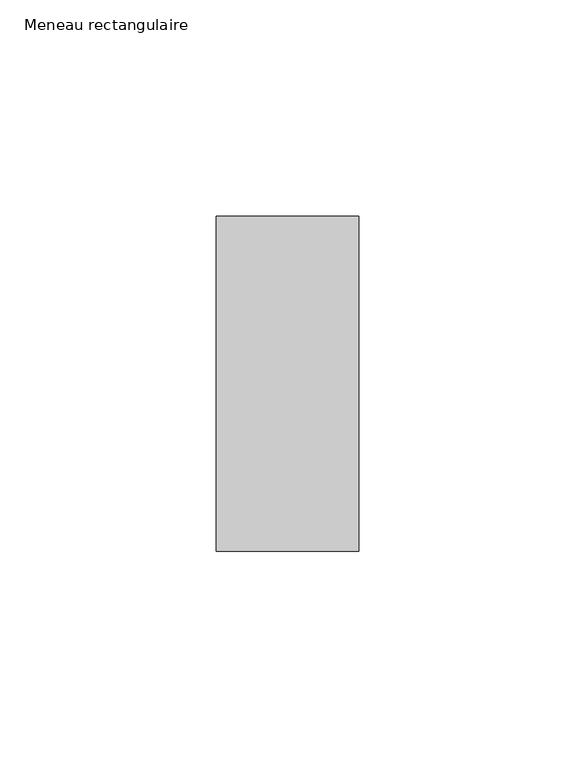
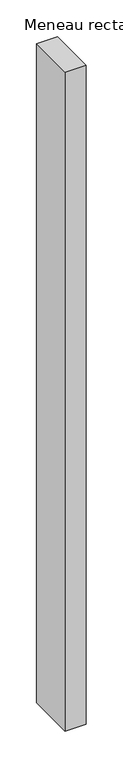
"""IFC4 building model written with IfcOpenShell, lengths in millimetres: member geometry, Meneau rectangulaire."""

from ifc_helpers import new_model, si_unit, frame, origin, place, context, project, spatial, polyline, outline, extrude, source, transform, mapped, element, save


def meneau_rectangulaire_7c7bde7e(model_context):
    return source(origin(), model_context, "Body", "SweptSolid", [
        extrude(outline(polyline([(0.0, 38.75), (0.0, -38.75), (-33.0, -38.75), (-33.0, 38.75), (0.0, 38.75)])), frame((0.0, 0.0, -1094.6250002), z_axis=(0.0, 0.0, 1.0), x_axis=(1.0, 0.0, 0.0)), (0.0, 0.0, 1.0), 1094.6250002),
    ])


if __name__ == "__main__":
    model = new_model("IFC4")
    model_context = context("Model", 3, world=origin())
    ifc_project = project(units=[si_unit("LENGTHUNIT", "METRE", prefix="MILLI")], contexts=[model_context])
    site = spatial("IfcSite", under=ifc_project)
    building = spatial("IfcBuilding", under=site)
    placement = place(None, origin())
    meneau_rectangulaire_shape = meneau_rectangulaire_7c7bde7e(model_context)
    element("IfcMember", 1, ObjectType="Meneau rectangulaire", at=placement, inside=building, context=model_context, shape_type="MappedRepresentation", body=[
        mapped(meneau_rectangulaire_shape, transform((0.0, 0.0, 0.0), x_axis=(1.0, 0.0, 0.0), y_axis=(0.0, 1.0, 0.0), z_axis=(0.0, 0.0, 1.0))),
    ])
    save(model, "model.ifc")
